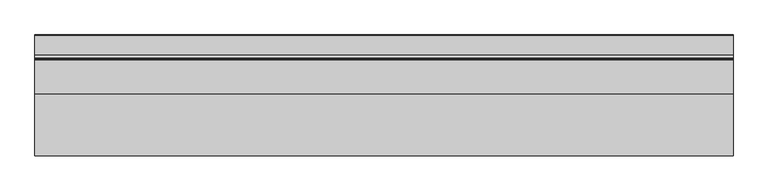
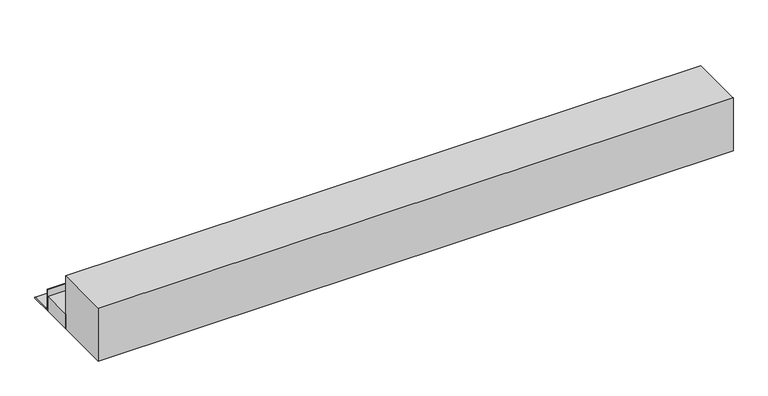
"""IFC4 building model written with IfcOpenShell, lengths in millimetres: beam geometry."""

from ifc_helpers import new_model, si_unit, frame, origin, place, context, project, spatial, polyline, circle_curve, outline, extrude, faceted_brep, source, transform, mapped, element, save
from ifc_brep_helpers import plane_surface, cylinder_surface, revolved_surface, advanced_brep


def beam_73a6d095(model_context):
    return source(origin(), model_context, "Body", "SolidModel", [
        advanced_brep(
        [(320.0, 5277.5, 2700.0), (320.0, 5177.5, 2700.0), (320.0, 5177.5, 2768.9909984), (320.0, 5177.5, 2800.0), (320.0, 5179.711754, 2800.0), (320.0, 5182.5, 2797.211754), (320.0, 5182.5, 2718.0410426), (320.0, 5195.5410426, 2705.0), (320.0, 5274.9745866, 2705.0), (320.0, 5277.5, 2702.4745866), (3153.3705641, 5277.5, 2700.0), (3153.3705641, 5277.5, 2702.4745866), (3153.3705641, 5274.9745866, 2705.0), (3153.3705641, 5195.5410426, 2705.0), (3153.3705641, 5182.5, 2718.0410426), (3153.3705641, 5182.5, 2797.211754), (3153.3705641, 5179.711754, 2800.0), (3153.3705641, 5177.5, 2800.0), (3153.3705641, 5177.5, 2768.9909984), (3153.3705641, 5177.5, 2700.0), (561.685282, 5277.5, 2700.0), (2911.685282, 5277.5, 2700.0)],
        [
            (0, 1),
            (1, 2),
            (2, 3),
            (3, 4),
            (4, 5, circle_curve(frame((320.0, 5179.711754, 2797.211754), z_axis=(-1.0, 0.0, 0.0), x_axis=(0.0, -1.0, 0.0)), 2.788246)),
            (5, 6),
            (6, 7, circle_curve(frame((320.0, 5195.5410426, 2718.0410426), z_axis=(1.0, 0.0, 0.0), x_axis=(0.0, -1.0, 0.0)), 13.0410426)),
            (7, 8),
            (8, 9, circle_curve(frame((320.0, 5274.9745866, 2702.4745866), z_axis=(-1.0, 0.0, 0.0), x_axis=(0.0, -1.0, 0.0)), 2.5254134)),
            (9, 0),
            (10, 11),
            (11, 12, circle_curve(frame((3153.3705641, 5274.9745866, 2702.4745866), z_axis=(1.0, 0.0, 0.0), x_axis=(0.0, -1.0, 0.0)), 2.5254134)),
            (12, 13),
            (13, 14, circle_curve(frame((3153.3705641, 5195.5410426, 2718.0410426), z_axis=(-1.0, 0.0, 0.0), x_axis=(0.0, -1.0, 0.0)), 13.0410426)),
            (14, 15),
            (15, 16, circle_curve(frame((3153.3705641, 5179.711754, 2797.211754), z_axis=(1.0, 0.0, 0.0), x_axis=(0.0, -1.0, 0.0)), 2.788246)),
            (16, 17),
            (17, 18),
            (18, 19),
            (19, 10),
            (0, 20),
            (20, 21),
            (21, 10),
            (19, 1),
            (17, 3),
            (16, 4),
            (9, 11),
            (15, 5),
            (14, 6),
            (13, 7),
            (12, 8),
        ],
        [
            plane_surface(frame((320.0, 5427.5, 2700.0), z_axis=(-1.0, 0.0, 0.0), x_axis=(0.0, -1.0, 0.0))),
            plane_surface(frame((3153.3705641, 5427.5, 2700.0), z_axis=(1.0, 0.0, 0.0), x_axis=(0.0, 1.0, 0.0))),
            plane_surface(frame((320.0, 5277.5, 2700.0), z_axis=(0.0, 0.0, -1.0), x_axis=(1.0, 0.0, 0.0))),
            plane_surface(frame((320.0, 5177.5, 2700.0), z_axis=(0.0, -1.0, 0.0), x_axis=(1.0, 0.0, 0.0))),
            plane_surface(frame((320.0, 5177.5, 2800.0), z_axis=(0.0, 0.0, 1.0), x_axis=(1.0, 0.0, 0.0))),
            plane_surface(frame((320.0, 5277.5, 2702.4745866), z_axis=(0.0, 1.0, 0.0), x_axis=(1.0, 0.0, 0.0))),
            cylinder_surface(frame((3153.3705641, 5179.711754, 2797.211754), z_axis=(-1.0, 0.0, 0.0), x_axis=(0.0, -1.0, 0.0)), 2.788246),
            plane_surface(frame((320.0, 5182.5, 2797.211754), z_axis=(0.0, 1.0, 0.0), x_axis=(1.0, 0.0, 0.0))),
            revolved_surface(polyline([(3153.3705641, 5182.5, 2718.0410426), (320.0, 5182.5, 2718.0410426)]), (3153.3705641, 5195.5410426, 2718.0410426), (1.0, 0.0, 0.0)),
            plane_surface(frame((320.0, 5195.5410426, 2705.0), z_axis=(0.0, 0.0, 1.0), x_axis=(1.0, 0.0, 0.0))),
            cylinder_surface(frame((3153.3705641, 5274.9745866, 2702.4745866), z_axis=(-1.0, 0.0, 0.0), x_axis=(0.0, -1.0, 0.0)), 2.5254134),
        ],
        [
            (0, [[1, 2, 3, 4, 5, 6, 7, 8, 9, 10]]),
            (1, [[11, 12, 13, 14, 15, 16, 17, 18, 19, 20]]),
            (2, [[-1, 21, 22, 23, -20, 24]]),
            (3, [[-3, -2, -24, -19, -18, 25]]),
            (4, [[-4, -25, -17, 26]]),
            (5, [[-10, 27, -11, -23, -22, -21]]),
            (6, [[-5, -26, -16, 28]]),
            (7, [[-6, -28, -15, 29]]),
            (8, [[-7, -29, -14, 30]]),
            (9, [[-8, -30, -13, 31]]),
            (10, [[-9, -31, -12, -27]]),
        ],
    ),
        extrude(outline(polyline([(320.0, 5037.5), (320.0, 5177.5), (3153.3705641, 5177.5), (3153.3705641, 5037.5), (320.0, 5037.5)])), frame((0.0, 0.0, 2700.0), z_axis=(0.0, 0.0, 1.0), x_axis=(1.0, 0.0, 0.0)), (0.0, 0.0, 1.0), 68.9909984),
        faceted_brep([(320.0, 5037.5, 2700.0), (320.0, 4790.0, 2700.0), (320.0, 4787.5, 2700.0), (320.0, 4787.5, 2950.0), (320.0, 4790.0, 2950.0), (320.0, 5037.5, 2950.0), (320.0, 5037.5, 2768.9909984), (3153.3705641, 5037.5, 2700.0), (3153.3705641, 5037.5, 2768.9909984), (3153.3705641, 5037.5, 2950.0), (3153.3705641, 4790.0, 2950.0), (3153.3705641, 4787.5, 2950.0), (3153.3705641, 4787.5, 2700.0), (3153.3705641, 4790.0, 2700.0)], [[[0, 1, 2, 3, 4, 5, 6]], [[7, 8, 9, 10, 11, 12, 13]], [[2, 1, 0, 7, 13, 12]], [[3, 2, 12, 11]], [[5, 4, 3, 11, 10, 9]], [[0, 6, 5, 9, 8, 7]]]),
    ])


if __name__ == "__main__":
    model = new_model("IFC4")
    model_context = context("Model", 3, world=origin())
    ifc_project = project(units=[si_unit("LENGTHUNIT", "METRE", prefix="MILLI")], contexts=[model_context])
    site = spatial("IfcSite", under=ifc_project)
    building = spatial("IfcBuilding", under=site)
    placement = place(None, origin())
    beam_shape = beam_73a6d095(model_context)
    element("IfcBeam", 1, at=placement, inside=building, context=model_context, shape_type="MappedRepresentation", body=[
        mapped(beam_shape, transform((0.0, 0.0, 0.0), x_axis=(1.0, 0.0, 0.0), y_axis=(0.0, 1.0, 0.0), z_axis=(0.0, 0.0, 1.0))),
    ])
    save(model, "model.ifc")
